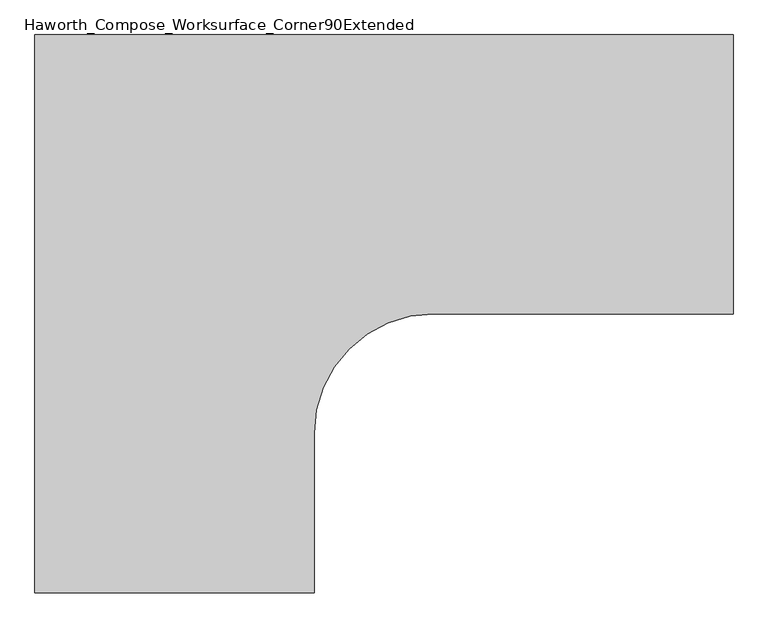
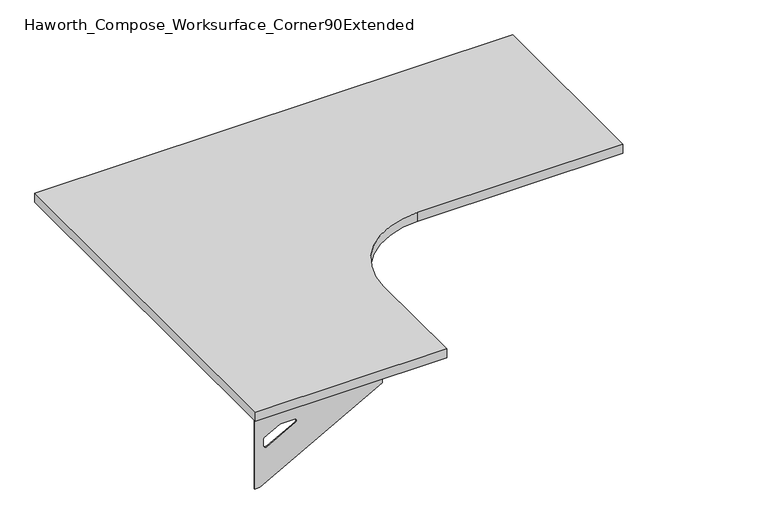
"""IFC4 building model written with IfcOpenShell, lengths in millimetres: furniture geometry, Haworth_Compose_Worksurface_Corner90Extended."""

from ifc_helpers import new_model, si_unit, point, frame, frame_2d, origin, place, context, project, spatial, polyline, circle_curve, trimmed, segment, composite_curve, outline, extrude, source, transform, mapped, element, save
from ifc_brep_helpers import plane_surface, revolved_surface, advanced_brep


def haworth_compose_worksurface_corner90extended_d032728a(model_context):
    return source(origin(), model_context, "Body", "SolidModel", [
        advanced_brep(
        [(908.84375, 152.4, 475.45625), (908.84375, 136.525, 475.45625), (908.84375, -254.0, 691.7192568), (908.84375, -254.0, 704.05625), (908.84375, 136.525, 704.05625), (908.84375, 152.4, 704.05625), (908.84375, 69.090072, 665.95625), (908.84375, 25.4355284, 665.95625), (908.84375, 22.7564235, 656.3705539), (908.84375, 114.4776173, 605.5776439), (908.84375, 123.825, 611.1756969), (908.84375, 123.825, 634.6860246), (908.84375, 122.0730055, 637.5242776), (908.84375, 72.1663437, 665.1613425), (911.225, 152.4, 475.45625), (911.225, 152.4, 704.05625), (911.225, 136.525, 704.05625), (911.225, 136.525, 706.4375), (911.225, -254.0, 706.4375), (911.225, -254.0, 691.7192568), (911.225, 136.525, 475.45625), (911.225, 69.090072, 665.95625), (911.225, 72.1663437, 665.1613425), (911.225, 122.0730055, 637.5242776), (911.225, 123.825, 634.6860246), (911.225, 123.825, 611.1756969), (911.225, 114.4776173, 605.5776439), (911.225, 22.7564235, 656.3705539), (911.225, 25.4355284, 665.95625), (869.95, -254.0, 706.4375), (869.95, -254.0, 704.05625), (869.95, 136.525, 704.05625), (869.95, 136.525, 706.4375)],
        [
            (0, 1),
            (1, 2),
            (2, 3),
            (3, 4),
            (4, 5),
            (5, 0),
            (6, 7),
            (7, 8, circle_curve(frame((908.84375, 25.4355284, 660.7890106), z_axis=(1.0, 0.0, 0.0), x_axis=(0.0, -1.0, 0.0)), 5.1672394)),
            (8, 9),
            (9, 10, circle_curve(frame((908.84375, 117.475, 611.1756969), z_axis=(1.0, 0.0, 0.0), x_axis=(0.0, -1.0, 0.0)), 6.35)),
            (10, 11),
            (11, 12, circle_curve(frame((908.84375, 120.65, 634.6860246), z_axis=(1.0, 0.0, 0.0), x_axis=(0.0, -1.0, 0.0)), 3.175)),
            (12, 13),
            (13, 6, circle_curve(frame((908.84375, 69.090072, 659.60625), z_axis=(1.0, 0.0, 0.0), x_axis=(0.0, -1.0, 0.0)), 6.35)),
            (14, 15),
            (15, 16),
            (16, 17),
            (17, 18),
            (18, 19),
            (19, 20),
            (20, 14),
            (21, 22, circle_curve(frame((911.225, 69.090072, 659.60625), z_axis=(-1.0, 0.0, 0.0), x_axis=(0.0, -1.0, 0.0)), 6.35)),
            (22, 23),
            (23, 24, circle_curve(frame((911.225, 120.65, 634.6860246), z_axis=(-1.0, 0.0, 0.0), x_axis=(0.0, -1.0, 0.0)), 3.175)),
            (24, 25),
            (25, 26, circle_curve(frame((911.225, 117.475, 611.1756969), z_axis=(-1.0, 0.0, 0.0), x_axis=(0.0, -1.0, 0.0)), 6.35)),
            (26, 27),
            (27, 28, circle_curve(frame((911.225, 25.4355284, 660.7890106), z_axis=(-1.0, 0.0, 0.0), x_axis=(0.0, -1.0, 0.0)), 5.1672394)),
            (28, 21),
            (4, 16),
            (15, 5),
            (14, 0),
            (20, 1),
            (19, 2),
            (18, 29),
            (29, 30),
            (30, 3),
            (6, 21),
            (28, 7),
            (9, 26),
            (25, 10),
            (24, 11),
            (23, 12),
            (27, 8),
            (31, 4),
            (30, 31),
            (32, 29),
            (17, 32),
            (31, 32),
            (22, 13),
        ],
        [
            plane_surface(frame((908.84375, 152.4, 475.45625), z_axis=(-1.0, 0.0, 0.0), x_axis=(0.0, 1.0, 0.0))),
            plane_surface(frame((911.225, 152.4, 475.45625), z_axis=(1.0, 0.0, 0.0), x_axis=(0.0, -1.0, 0.0))),
            plane_surface(frame((911.225, -254.0, 704.05625), z_axis=(0.0, 0.0, 1.0), x_axis=(-1.0, 0.0, 0.0))),
            plane_surface(frame((911.225, 152.4, 704.05625), z_axis=(0.0, 1.0, 0.0), x_axis=(-1.0, 0.0, 0.0))),
            plane_surface(frame((911.225, 152.4, 475.45625), z_axis=(0.0, 0.0, -1.0), x_axis=(-1.0, 0.0, 0.0))),
            plane_surface(frame((911.225, 136.525, 475.45625), z_axis=(0.0, -0.4844522351345575, -0.8748177135112957), x_axis=(-1.0, 0.0, 0.0))),
            plane_surface(frame((911.225, -254.0, 691.7192568), z_axis=(0.0, -1.0, 0.0), x_axis=(-1.0, 0.0, 0.0))),
            plane_surface(frame((911.225, 69.090072, 665.95625), z_axis=(0.0, 0.0, -1.0), x_axis=(-1.0, 0.0, 0.0))),
            revolved_surface(polyline([(908.84375, 111.125, 611.1756969), (911.225, 111.125, 611.1756969)]), (911.225, 117.475, 611.1756969), (-1.0, 0.0, 0.0)),
            plane_surface(frame((911.225, 123.825, 611.1756969), z_axis=(0.0, -1.0, 0.0), x_axis=(-1.0, 0.0, 0.0))),
            revolved_surface(polyline([(908.84375, 117.47500000000001, 634.6860246), (911.225, 117.47500000000001, 634.6860246)]), (911.225, 120.65, 634.6860246), (-1.0, 0.0, 0.0)),
            revolved_surface(polyline([(908.84375, 20.268289, 660.7890106), (911.225, 20.268289, 660.7890106)]), (911.225, 25.4355284, 660.7890106), (-1.0, 0.0, 0.0)),
            plane_surface(frame((911.225, 136.525, 704.05625), z_axis=(0.0, 0.0, -1.0), x_axis=(-1.0, 0.0, 0.0))),
            plane_surface(frame((911.225, 136.525, 706.4375), z_axis=(0.0, 0.0, 1.0), x_axis=(1.0, 0.0, 0.0))),
            plane_surface(frame((869.95, 136.525, 706.4375), z_axis=(0.0, 1.0, 0.0), x_axis=(0.0, 0.0, -1.0))),
            plane_surface(frame((869.95, -254.0, 706.4375), z_axis=(-1.0, 0.0, 0.0), x_axis=(0.0, 0.0, -1.0))),
            plane_surface(frame((911.225, 22.7564235, 656.3705539), z_axis=(0.0, 0.4844522351341526, 0.8748177135115199), x_axis=(-1.0, 0.0, 0.0))),
            plane_surface(frame((911.225, 122.0730055, 637.5242776), z_axis=(0.0, -0.48445223513456226, -0.874817713511293), x_axis=(-1.0, 0.0, 0.0))),
            revolved_surface(polyline([(908.84375, 62.740072000000005, 659.60625), (911.225, 62.740072000000005, 659.60625)]), (911.225, 69.090072, 659.60625), (-1.0, 0.0, 0.0)),
        ],
        [
            (0, [[1, 2, 3, 4, 5, 6], [7, 8, 9, 10, 11, 12, 13, 14]]),
            (1, [[15, 16, 17, 18, 19, 20, 21], [22, 23, 24, 25, 26, 27, 28, 29]]),
            (2, [[-5, 30, -16, 31]]),
            (3, [[-31, -15, 32, -6]]),
            (4, [[-32, -21, 33, -1]]),
            (5, [[-33, -20, 34, -2]]),
            (6, [[-34, -19, 35, 36, 37, -3]]),
            (7, [[38, -29, 39, -7]]),
            (8, [[40, -26, 41, -10]]),
            (9, [[-41, -25, 42, -11]]),
            (10, [[-42, -24, 43, -12]]),
            (11, [[-39, -28, 44, -8]]),
            (12, [[45, -4, -37, 46]]),
            (13, [[47, -35, -18, 48]]),
            (14, [[-17, -30, -45, 49, -48]]),
            (15, [[-36, -47, -49, -46]]),
            (16, [[-44, -27, -40, -9]]),
            (17, [[-43, -23, 50, -13]]),
            (18, [[-50, -22, -38, -14]]),
        ],
    ),
        advanced_brep(
        [(-609.6, -1061.24375, 475.45625), (-609.6, -1061.24375, 704.05625), (-593.725, -1061.24375, 704.05625), (-203.2, -1061.24375, 704.05625), (-203.2, -1061.24375, 691.7192568), (-593.725, -1061.24375, 475.45625), (-526.290072, -1061.24375, 665.95625), (-529.3663437, -1061.24375, 665.1613425), (-579.2730055, -1061.24375, 637.5242776), (-581.025, -1061.24375, 634.6860246), (-581.025, -1061.24375, 611.1756969), (-571.6776173, -1061.24375, 605.5776439), (-479.9564235, -1061.24375, 656.3705539), (-482.6355284, -1061.24375, 665.95625), (-609.6, -1063.625, 475.45625), (-593.725, -1063.625, 475.45625), (-203.2, -1063.625, 691.7192568), (-203.2, -1063.625, 706.4375), (-593.725, -1063.625, 706.4375), (-593.725, -1063.625, 704.05625), (-609.6, -1063.625, 704.05625), (-526.290072, -1063.625, 665.95625), (-482.6355284, -1063.625, 665.95625), (-479.9564235, -1063.625, 656.3705539), (-571.6776173, -1063.625, 605.5776439), (-581.025, -1063.625, 611.1756969), (-581.025, -1063.625, 634.6860246), (-579.2730055, -1063.625, 637.5242776), (-529.3663437, -1063.625, 665.1613425), (-203.2, -1022.35, 704.05625), (-203.2, -1022.35, 706.4375), (-593.725, -1022.35, 704.05625), (-593.725, -1022.35, 706.4375)],
        [
            (0, 1),
            (1, 2),
            (2, 3),
            (3, 4),
            (4, 5),
            (5, 0),
            (6, 7, circle_curve(frame((-526.290072, -1061.24375, 659.60625), z_axis=(0.0, -1.0, 0.0), x_axis=(1.0, 0.0, 0.0)), 6.35)),
            (7, 8),
            (8, 9, circle_curve(frame((-577.85, -1061.24375, 634.6860246), z_axis=(0.0, -1.0, 0.0), x_axis=(1.0, 0.0, 0.0)), 3.175)),
            (9, 10),
            (10, 11, circle_curve(frame((-574.675, -1061.24375, 611.1756969), z_axis=(0.0, -1.0, 0.0), x_axis=(1.0, 0.0, 0.0)), 6.35)),
            (11, 12),
            (12, 13, circle_curve(frame((-482.6355284, -1061.24375, 660.7890106), z_axis=(0.0, -1.0, 0.0), x_axis=(1.0, 0.0, 0.0)), 5.1672394)),
            (13, 6),
            (14, 15),
            (15, 16),
            (16, 17),
            (17, 18),
            (18, 19),
            (19, 20),
            (20, 14),
            (21, 22),
            (22, 23, circle_curve(frame((-482.6355284, -1063.625, 660.7890106), z_axis=(0.0, 1.0, 0.0), x_axis=(1.0, 0.0, 0.0)), 5.1672394)),
            (23, 24),
            (24, 25, circle_curve(frame((-574.675, -1063.625, 611.1756969), z_axis=(0.0, 1.0, 0.0), x_axis=(1.0, 0.0, 0.0)), 6.35)),
            (25, 26),
            (26, 27, circle_curve(frame((-577.85, -1063.625, 634.6860246), z_axis=(0.0, 1.0, 0.0), x_axis=(1.0, 0.0, 0.0)), 3.175)),
            (27, 28),
            (28, 21, circle_curve(frame((-526.290072, -1063.625, 659.60625), z_axis=(0.0, 1.0, 0.0), x_axis=(1.0, 0.0, 0.0)), 6.35)),
            (1, 20),
            (19, 2),
            (0, 14),
            (5, 15),
            (4, 16),
            (3, 29),
            (29, 30),
            (30, 17),
            (13, 22),
            (21, 6),
            (10, 25),
            (24, 11),
            (9, 26),
            (8, 27),
            (12, 23),
            (31, 29),
            (2, 31),
            (32, 18),
            (30, 32),
            (32, 31),
            (7, 28),
        ],
        [
            plane_surface(frame((-609.6, -1061.24375, 475.45625), z_axis=(0.0, 1.0, 0.0), x_axis=(-1.0, 0.0, 0.0))),
            plane_surface(frame((-609.6, -1063.625, 475.45625), z_axis=(0.0, -1.0, 0.0), x_axis=(1.0, 0.0, 0.0))),
            plane_surface(frame((-203.2, -1063.625, 704.05625), z_axis=(0.0, 0.0, 1.0), x_axis=(0.0, 1.0, 0.0))),
            plane_surface(frame((-609.6, -1063.625, 704.05625), z_axis=(-1.0, 0.0, 0.0), x_axis=(0.0, 1.0, 0.0))),
            plane_surface(frame((-609.6, -1063.625, 475.45625), z_axis=(0.0, 0.0, -1.0), x_axis=(0.0, 1.0, 0.0))),
            plane_surface(frame((-593.725, -1063.625, 475.45625), z_axis=(0.4844522351345575, 0.0, -0.8748177135112957), x_axis=(0.0, 1.0, 0.0))),
            plane_surface(frame((-203.2, -1063.625, 691.7192568), z_axis=(1.0, 0.0, 0.0), x_axis=(0.0, 1.0, 0.0))),
            plane_surface(frame((-526.290072, -1063.625, 665.95625), z_axis=(0.0, 0.0, -1.0), x_axis=(0.0, 1.0, 0.0))),
            revolved_surface(polyline([(-568.3249999999999, -1061.24375, 611.1756969), (-568.3249999999999, -1063.625, 611.1756969)]), (-574.675, -1063.625, 611.1756969), (0.0, 1.0, 0.0)),
            plane_surface(frame((-581.025, -1063.625, 611.1756969), z_axis=(1.0, 0.0, 0.0), x_axis=(0.0, 1.0, 0.0))),
            revolved_surface(polyline([(-574.6750000000001, -1061.24375, 634.6860246), (-574.6750000000001, -1063.625, 634.6860246)]), (-577.85, -1063.625, 634.6860246), (0.0, 1.0, 0.0)),
            revolved_surface(polyline([(-477.468289, -1061.24375, 660.7890106), (-477.468289, -1063.625, 660.7890106)]), (-482.6355284, -1063.625, 660.7890106), (0.0, 1.0, 0.0)),
            plane_surface(frame((-593.725, -1063.625, 704.05625), z_axis=(0.0, 0.0, -1.0), x_axis=(0.0, 1.0, 0.0))),
            plane_surface(frame((-593.725, -1063.625, 706.4375), z_axis=(0.0, 0.0, 1.0), x_axis=(0.0, -1.0, 0.0))),
            plane_surface(frame((-593.725, -1022.35, 706.4375), z_axis=(-1.0, 0.0, 0.0), x_axis=(0.0, 0.0, -1.0))),
            plane_surface(frame((-203.2, -1022.35, 706.4375), z_axis=(0.0, 1.0, 0.0), x_axis=(0.0, 0.0, -1.0))),
            plane_surface(frame((-479.9564235, -1063.625, 656.3705539), z_axis=(-0.4844522351341526, 0.0, 0.8748177135115199), x_axis=(0.0, 1.0, 0.0))),
            plane_surface(frame((-579.2730055, -1063.625, 637.5242776), z_axis=(0.48445223513456226, 0.0, -0.874817713511293), x_axis=(0.0, 1.0, 0.0))),
            revolved_surface(polyline([(-519.940072, -1061.24375, 659.60625), (-519.940072, -1063.625, 659.60625)]), (-526.290072, -1063.625, 659.60625), (0.0, 1.0, 0.0)),
        ],
        [
            (0, [[1, 2, 3, 4, 5, 6], [7, 8, 9, 10, 11, 12, 13, 14]]),
            (1, [[15, 16, 17, 18, 19, 20, 21], [22, 23, 24, 25, 26, 27, 28, 29]]),
            (2, [[30, -20, 31, -2]]),
            (3, [[-1, 32, -21, -30]]),
            (4, [[-6, 33, -15, -32]]),
            (5, [[-5, 34, -16, -33]]),
            (6, [[-4, 35, 36, 37, -17, -34]]),
            (7, [[-14, 38, -22, 39]]),
            (8, [[-11, 40, -25, 41]]),
            (9, [[-10, 42, -26, -40]]),
            (10, [[-9, 43, -27, -42]]),
            (11, [[-13, 44, -23, -38]]),
            (12, [[45, -35, -3, 46]]),
            (13, [[47, -18, -37, 48]]),
            (14, [[-47, 49, -46, -31, -19]]),
            (15, [[-45, -49, -48, -36]]),
            (16, [[-12, -41, -24, -44]]),
            (17, [[-8, 50, -28, -43]]),
            (18, [[-7, -39, -29, -50]]),
        ],
    ),
        extrude(outline(composite_curve([segment(polyline([(-609.6, 152.4), (914.4, 152.4), (914.4, -457.2), (260.35, -457.2)]), True, "CONTINUOUS"), segment(trimmed(circle_curve(frame_2d((260.35, -717.55)), 260.35), [point((260.35, -457.2))], [point((0.0, -717.55))], True, "CARTESIAN"), True, "CONTINUOUS"), segment(polyline([(0.0, -717.55), (0.0, -1066.8), (-609.6, -1066.8), (-609.6, 152.4)]), True, "CONTINUOUS")], self_intersect=False)), frame((0.0, 0.0, 706.4375), z_axis=(0.0, 0.0, 1.0), x_axis=(1.0, 0.0, 0.0)), (0.0, 0.0, 1.0), 30.1625),
    ])


if __name__ == "__main__":
    model = new_model("IFC4")
    model_context = context("Model", 3, world=origin())
    ifc_project = project(units=[si_unit("LENGTHUNIT", "METRE", prefix="MILLI")], contexts=[model_context])
    site = spatial("IfcSite", under=ifc_project)
    building = spatial("IfcBuilding", under=site)
    placement = place(None, origin())
    haworth_compose_worksurface_corner90extended_shape = haworth_compose_worksurface_corner90extended_d032728a(model_context)
    element("IfcFurniture", 1, ObjectType="Haworth_Compose_Worksurface_Corner90Extended", at=placement, inside=building, context=model_context, shape_type="MappedRepresentation", body=[
        mapped(haworth_compose_worksurface_corner90extended_shape, transform((0.0, 0.0, 0.0), x_axis=(1.0, 0.0, 0.0), y_axis=(0.0, 1.0, 0.0), z_axis=(0.0, 0.0, 1.0))),
    ])
    save(model, "model.ifc")
